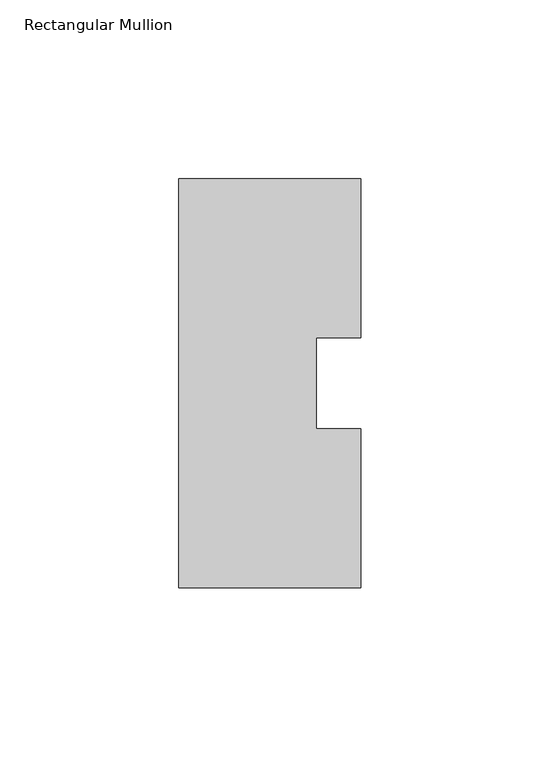
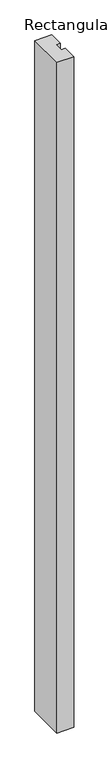
"""IFC4 building model written with IfcOpenShell, lengths in millimetres: member geometry, Rectangular Mullion."""

from ifc_helpers import new_model, si_unit, frame, origin, place, context, project, spatial, polyline, outline, extrude, source, transform, mapped, element, save


def rectangular_mullion_84780017(model_context):
    return source(origin(), model_context, "Body", "SweptSolid", [
        extrude(outline(polyline([(25.4, -57.148246), (-25.4, -57.148246), (-25.4, 57.148246), (25.4, 57.148246), (25.4, 12.7), (13.0430207, 12.7), (13.0430207, -12.7), (25.4, -12.7), (25.4, -57.148246)])), frame((0.0, 0.0, -2133.6), z_axis=(0.0, 0.0, 1.0), x_axis=(1.0, 0.0, 0.0)), (0.0, 0.0, 1.0), 2133.6),
    ])


if __name__ == "__main__":
    model = new_model("IFC4")
    model_context = context("Model", 3, world=origin())
    ifc_project = project(units=[si_unit("LENGTHUNIT", "METRE", prefix="MILLI")], contexts=[model_context])
    site = spatial("IfcSite", under=ifc_project)
    building = spatial("IfcBuilding", under=site)
    placement = place(None, origin())
    rectangular_mullion_shape = rectangular_mullion_84780017(model_context)
    element("IfcMember", 1, ObjectType="Rectangular Mullion", at=placement, inside=building, context=model_context, shape_type="MappedRepresentation", body=[
        mapped(rectangular_mullion_shape, transform((0.0, 0.0, 0.0), x_axis=(1.0, 0.0, 0.0), y_axis=(0.0, 1.0, 0.0), z_axis=(0.0, 0.0, 1.0))),
    ])
    save(model, "model.ifc")
